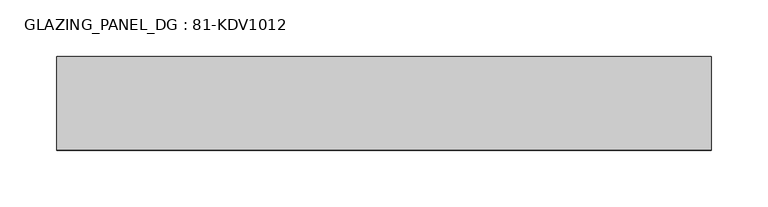
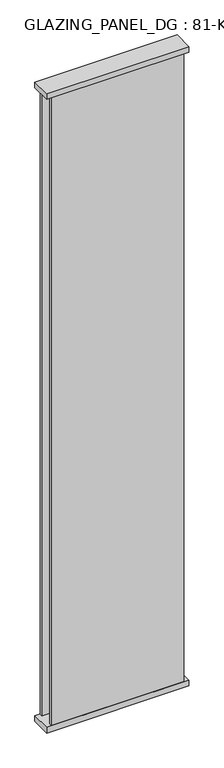
"""IFC4 building model written with IfcOpenShell, lengths in millimetres: plate geometry, GLAZING_PANEL_DG : 81-KDV1012."""

import ifcopenshell
import ifcopenshell.guid

model = None  # the IFC model being written
_history = None  # IfcOwnerHistory: only IFC2X3 demands one
_inside = {}  # id of a spatial element -> (the spatial element, [elements in it])
_under = {}  # id of a project, library or spatial element -> (it, [spatial elements below it])
_declared = {}  # id of a project -> (the project, [libraries it declares])
_typed = {}  # id of a type object -> (the type object, [elements of that type])
_made_of = {}  # id of a material, layer set ... -> (it, [elements and type objects made of it])


def new_model(schema):
    """Start an empty IFC model of exactly this schema.

    Asked for "IFC4X3", IfcOpenShell would pick the latest addendum, in which some entities
    have other attributes; the version numbers below select the first issue.
    IFC2X3 requires an IfcOwnerHistory on every rooted entity: one is made here for all.
    """
    global model, _history
    if schema == "IFC4X3":
        model = ifcopenshell.file(schema_version=(4, 3, 0, 0))
    else:
        model = ifcopenshell.file(schema=schema)
    _inside.clear()
    _under.clear()
    _declared.clear()
    _typed.clear()
    _made_of.clear()
    _history = None
    if model.schema == "IFC2X3":
        org = make("IfcOrganization", Name="unknown")
        user = make(
            "IfcPersonAndOrganization",
            ThePerson=make("IfcPerson", FamilyName="unknown"),
            TheOrganization=org,
        )
        app = make(
            "IfcApplication",
            ApplicationDeveloper=org,
            Version="unknown",
            ApplicationFullName="unknown",
            ApplicationIdentifier="unknown",
        )
        _history = make(
            "IfcOwnerHistory",
            OwningUser=user,
            OwningApplication=app,
            ChangeAction="ADDED",
            CreationDate=0,
        )
    return model


def make(cls, **values):
    """One entity of the class cls with the attributes given. An attribute that is None is left unset."""
    return model.create_entity(
        cls, **{name: value for name, value in values.items() if value is not None}
    )


def rooted(cls, **values):
    """An entity with a GlobalId (a new one), such as an element, a storey or a relation."""
    return make(cls, GlobalId=ifcopenshell.guid.new(), OwnerHistory=_history, **values)


def si_unit(unit_type, name, prefix=None):
    """IfcSIUnit, for example si_unit("LENGTHUNIT", "METRE", prefix="MILLI")."""
    return make("IfcSIUnit", UnitType=unit_type, Prefix=prefix, Name=name)


def assignment(units):
    """IfcUnitAssignment: the units of a project."""
    return None if units is None else make("IfcUnitAssignment", Units=units)


def point(xyz):
    """IfcCartesianPoint."""
    return None if xyz is None else make("IfcCartesianPoint", Coordinates=xyz)


def direction(xyz):
    """IfcDirection."""
    return None if xyz is None else make("IfcDirection", DirectionRatios=xyz)


def frame(location, z_axis=None, x_axis=None):
    """IfcAxis2Placement3D, a coordinate frame: its origin and axes. An axis left out is left unset."""
    return make(
        "IfcAxis2Placement3D",
        Location=point(location),
        Axis=direction(z_axis),
        RefDirection=direction(x_axis),
    )


def origin():
    """The frame at (0, 0, 0) with its axes left unset."""
    return frame((0.0, 0.0, 0.0))


def origin_with_axes():
    """The frame at (0, 0, 0) with the z axis (0, 0, 1) and the x axis (1, 0, 0) written out."""
    return frame((0.0, 0.0, 0.0), z_axis=(0.0, 0.0, 1.0), x_axis=(1.0, 0.0, 0.0))


def place(relative_to, where):
    """IfcLocalPlacement: puts the frame where relative to a parent placement (None: the world)."""
    return make(
        "IfcLocalPlacement", PlacementRelTo=relative_to, RelativePlacement=where
    )


def context(
    kind, dimensions, precision=None, world=None, true_north=None, identifier=None
):
    """IfcGeometricRepresentationContext, for example the 3D "Model" context."""
    return make(
        "IfcGeometricRepresentationContext",
        ContextIdentifier=identifier,
        ContextType=kind,
        CoordinateSpaceDimension=dimensions,
        Precision=precision,
        WorldCoordinateSystem=world,
        TrueNorth=true_north,
    )


def project(units=None, contexts=None):
    """IfcProject with its units and contexts."""
    return rooted(
        "IfcProject",
        Name="project",
        RepresentationContexts=contexts,
        UnitsInContext=assignment(units),
    )


def spatial(cls, under=None, at=None, **own):
    """A site, building, storey or space (cls), placed at a placement, below another one or the project."""
    s = rooted(cls, ObjectPlacement=at, **own)
    if under is not None:
        _under.setdefault(under.id(), (under, []))[1].append(s)
    return s


def polyline(points):
    """IfcPolyline through the points."""
    return make("IfcPolyline", Points=[point(p) for p in points])


def outline(outer, holes=None, kind="AREA"):
    """IfcArbitraryClosedProfileDef: a profile drawn as a closed curve; with holes, ...WithVoids."""
    if holes is None:
        return make("IfcArbitraryClosedProfileDef", ProfileType=kind, OuterCurve=outer)
    return make(
        "IfcArbitraryProfileDefWithVoids",
        ProfileType=kind,
        OuterCurve=outer,
        InnerCurves=holes,
    )


def extrude(swept, where, along, depth):
    """IfcExtrudedAreaSolid: the profile swept, set in the frame where, extruded along a direction by depth."""
    return make(
        "IfcExtrudedAreaSolid",
        SweptArea=swept,
        Position=where,
        ExtrudedDirection=direction(along),
        Depth=depth,
    )


def shape(context_of_items, identifier, shape_type, items):
    """IfcShapeRepresentation: the items that make up one representation, for example the "Body"."""
    return make(
        "IfcShapeRepresentation",
        ContextOfItems=context_of_items,
        RepresentationIdentifier=identifier,
        RepresentationType=shape_type,
        Items=items,
    )


def source(mapping_origin, context_of_items, identifier, shape_type, items):
    """IfcRepresentationMap: a shape defined once, which mapped items show again and again."""
    return make(
        "IfcRepresentationMap",
        MappingOrigin=mapping_origin,
        MappedRepresentation=shape(context_of_items, identifier, shape_type, items),
    )


def transform(
    local_origin,
    x_axis=None,
    y_axis=None,
    z_axis=None,
    scale=None,
    scale2=None,
    scale3=None,
    uniform=True,
):
    """IfcCartesianTransformationOperator3D, or its non-uniform kind. x_axis, y_axis, z_axis: its Axis1, 2, 3."""
    if uniform:
        return make(
            "IfcCartesianTransformationOperator3D",
            Axis1=direction(x_axis),
            Axis2=direction(y_axis),
            LocalOrigin=point(local_origin),
            Scale=scale,
            Axis3=direction(z_axis),
        )
    return make(
        "IfcCartesianTransformationOperator3DnonUniform",
        Axis1=direction(x_axis),
        Axis2=direction(y_axis),
        LocalOrigin=point(local_origin),
        Scale=scale,
        Axis3=direction(z_axis),
        Scale2=scale2,
        Scale3=scale3,
    )


def mapped(mapping_source, mapping_target):
    """IfcMappedItem: shows the shape of a source again, moved by a transform."""
    return make(
        "IfcMappedItem", MappingSource=mapping_source, MappingTarget=mapping_target
    )


def made_of(thing, what):
    """Note that an element or type object is made of a material, layer set ...; save() writes the relation."""
    if what is not None:
        _made_of.setdefault(what.id(), (what, []))[1].append(thing)
    return thing


def element(
    cls,
    number,
    at=None,
    inside=None,
    cuts=None,
    type_object=None,
    material=None,
    context=None,
    identifier="Body",
    shape_type=None,
    held_by="IfcProductDefinitionShape",
    body=None,
    shapes=None,
    **own,
):
    """One element of the class cls, such as IfcWall. Its Tag is "e" and its number.

    at: its placement. inside: the storey or other place that contains it. cuts: it is an
    opening in that element (IfcRelVoidsElement). A single representation is given by context,
    identifier, shape_type and body (its items); several are given by shapes. held_by: the class
    of the entity that holds the representations. save() writes the other relations.
    """
    e = rooted(cls, Tag="e%d" % number, ObjectPlacement=at, **own)
    if body is not None:
        shapes = [shape(context, identifier, shape_type, body)]
    if shapes is not None:
        e.Representation = make(held_by, Representations=shapes)
    if inside is not None:
        _inside.setdefault(inside.id(), (inside, []))[1].append(e)
    if cuts is not None:
        rooted(
            "IfcRelVoidsElement", RelatingBuildingElement=cuts, RelatedOpeningElement=e
        )
    if type_object is not None:
        _typed.setdefault(type_object.id(), (type_object, []))[1].append(e)
    return made_of(e, material)


def aggregate(whole, parts):
    """IfcRelAggregates: a whole, such as a stair, and the parts it consists of."""
    return rooted("IfcRelAggregates", RelatingObject=whole, RelatedObjects=parts)


def save(model, path):
    """Write the relations noted so far, then the file.

    IfcRelAggregates (storeys below a building ...), IfcRelContainedInSpatialStructure (elements
    in a storey), IfcRelDefinesByType, IfcRelAssociatesMaterial and IfcRelDeclares: one each for
    every whole, place, type object, material and project.
    """
    for whole, parts in _under.values():
        aggregate(whole, parts)
    for where, things in _inside.values():
        rooted(
            "IfcRelContainedInSpatialStructure",
            RelatedElements=things,
            RelatingStructure=where,
        )
    for kind, things in _typed.values():
        rooted("IfcRelDefinesByType", RelatedObjects=things, RelatingType=kind)
    for what, things in _made_of.values():
        rooted("IfcRelAssociatesMaterial", RelatedObjects=things, RelatingMaterial=what)
    for by, libraries in _declared.values():
        rooted("IfcRelDeclares", RelatingContext=by, RelatedDefinitions=libraries)
    model.write(path)


def glazing_panel_dg_81_kdv1012_d4e1cda5(model_context):
    return source(origin(), model_context, "Body", "SweptSolid", [
        extrude(outline(polyline([(269.8, -39.5), (-269.8, -39.5), (-269.8, -29.5), (269.8, -29.5), (269.8, -39.5)])), frame((0.0, 0.0, 12.0), z_axis=(0.0, 0.0, 1.0), x_axis=(1.0, 0.0, 0.0)), (0.0, 0.0, 1.0), 2730.0),
        extrude(outline(polyline([(269.8, 27.5), (-269.8, 27.5), (-269.8, 39.5), (269.8, 39.5), (269.8, 27.5)])), frame((0.0, 0.0, 12.0), z_axis=(0.0, 0.0, 1.0), x_axis=(1.0, 0.0, 0.0)), (0.0, 0.0, 1.0), 2730.0),
        extrude(outline(polyline([(289.8, 41.5), (289.8, -41.5), (-289.8, -41.5), (-289.8, 41.5), (289.8, 41.5)])), frame((0.0, 0.0, 2730.0), z_axis=(0.0, 0.0, 1.0), x_axis=(1.0, 0.0, 0.0)), (0.0, 0.0, 1.0), 25.0),
        extrude(outline(polyline([(289.8, -41.5), (-289.8, -41.5), (-289.8, 41.5), (289.8, 41.5), (289.8, -41.5)])), origin_with_axes(), (0.0, 0.0, 1.0), 25.0),
    ])


if __name__ == "__main__":
    model = new_model("IFC4")
    model_context = context("Model", 3, world=origin())
    ifc_project = project(units=[si_unit("LENGTHUNIT", "METRE", prefix="MILLI")], contexts=[model_context])
    site = spatial("IfcSite", under=ifc_project)
    building = spatial("IfcBuilding", under=site)
    placement = place(None, origin())
    glazing_panel_dg_81_kdv1012_shape = glazing_panel_dg_81_kdv1012_d4e1cda5(model_context)
    element("IfcPlate", 1, ObjectType="GLAZING_PANEL_DG : 81-KDV1012", at=placement, inside=building, context=model_context, shape_type="MappedRepresentation", body=[
        mapped(glazing_panel_dg_81_kdv1012_shape, transform((0.0, 0.0, 0.0), x_axis=(1.0, 0.0, 0.0), y_axis=(0.0, 1.0, 0.0), z_axis=(0.0, 0.0, 1.0))),
    ])
    save(model, "model.ifc")
